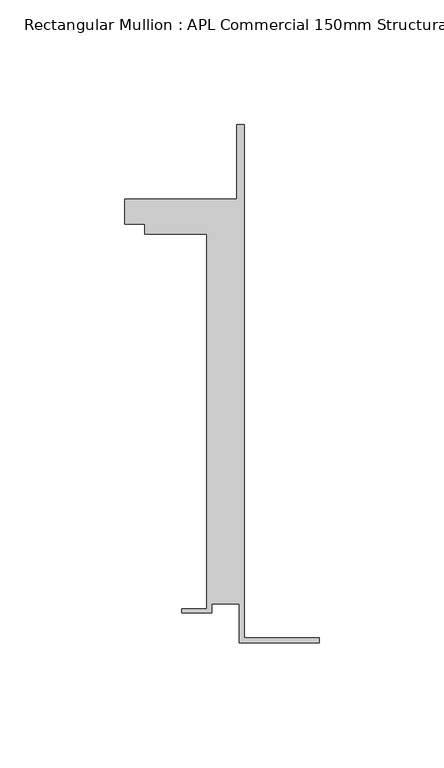
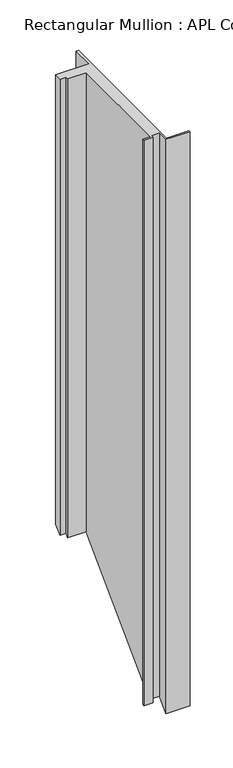
"""IFC4 building model written with IfcOpenShell, lengths in millimetres: member geometry, Rectangular Mullion : APL Commercial 150mm Structural Glaze SubSill."""

from ifc_helpers import new_model, si_unit, origin, place, context, project, spatial, faceted_brep, source, transform, mapped, element, save


def rectangular_mullion_apl_commercial_150mm_structural_glaze_e1cbc004(model_context):
    return source(origin(), model_context, "Body", "Brep", [
        faceted_brep([(-32.0, -41.25, 0.0), (0.0, -41.25, 0.0), (0.0, -39.25, 0.0), (-30.0, -39.25, 0.0), (-30.0, 166.75, 0.0), (-33.0000284, 166.75, 0.0), (-33.0000284, 136.75, 0.0), (-78.0000284, 136.75, 0.0), (-78.0000284, 126.75, 0.0), (-70.0000284, 126.75, 0.0), (-70.0000284, 122.75, 0.0), (-45.0, 122.75, 0.0), (-45.0, -27.75, 0.0), (-55.0, -27.75, 0.0), (-55.0, -29.25, 0.0), (-43.0, -29.25, 0.0), (-43.0, -25.75, 0.0), (-32.0, -25.75, 0.0), (-32.0, -41.25, -816.8382929), (0.0, -41.25, -816.8382929), (0.0, -39.25, -814.8382929), (-30.0, -39.25, -814.8382929), (-30.0, 166.75, -608.8382929), (-33.0000284, 166.75, -608.8382929), (-33.0000284, 136.75, -638.8382929), (-78.0000284, 136.75, -638.8382929), (-78.0000284, 126.75, -648.8382929), (-70.0000284, 126.75, -648.8382929), (-70.0000284, 122.75, -652.8382929), (-45.0, 122.75, -652.8382929), (-45.0, -27.75, -803.3382929), (-55.0, -27.75, -803.3382929), (-55.0, -29.25, -804.8382929), (-43.0, -29.25, -804.8382929), (-43.0, -25.75, -801.3382929), (-32.0, -25.75, -801.3382929)], [[[0, 1, 2, 3, 4, 5, 6, 7, 8, 9, 10, 11, 12, 13, 14, 15, 16, 17]], [[1, 0, 18, 19]], [[2, 1, 19, 20]], [[3, 2, 20, 21]], [[4, 3, 21, 22]], [[5, 4, 22, 23]], [[6, 5, 23, 24]], [[7, 6, 24, 25]], [[8, 7, 25, 26]], [[9, 8, 26, 27]], [[10, 9, 27, 28]], [[11, 10, 28, 29]], [[12, 11, 29, 30]], [[13, 12, 30, 31]], [[14, 13, 31, 32]], [[15, 14, 32, 33]], [[16, 15, 33, 34]], [[17, 16, 34, 35]], [[0, 17, 35, 18]], [[18, 35, 34, 33, 32, 31, 30, 29, 28, 27, 26, 25, 24, 23, 22, 21, 20, 19]]]),
    ])


if __name__ == "__main__":
    model = new_model("IFC4")
    model_context = context("Model", 3, world=origin())
    ifc_project = project(units=[si_unit("LENGTHUNIT", "METRE", prefix="MILLI")], contexts=[model_context])
    site = spatial("IfcSite", under=ifc_project)
    building = spatial("IfcBuilding", under=site)
    placement = place(None, origin())
    rectangular_mullion_apl_commercial_150mm_structural_glaze_shape = rectangular_mullion_apl_commercial_150mm_structural_glaze_e1cbc004(model_context)
    element("IfcMember", 1, ObjectType="Rectangular Mullion : APL Commercial 150mm Structural Glaze SubSill", at=placement, inside=building, context=model_context, shape_type="MappedRepresentation", body=[
        mapped(rectangular_mullion_apl_commercial_150mm_structural_glaze_shape, transform((0.0, 0.0, 0.0), x_axis=(1.0, 0.0, 0.0), y_axis=(0.0, 1.0, 0.0), z_axis=(0.0, 0.0, 1.0))),
    ])
    save(model, "model.ifc")
